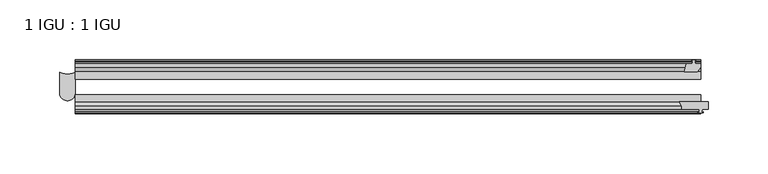
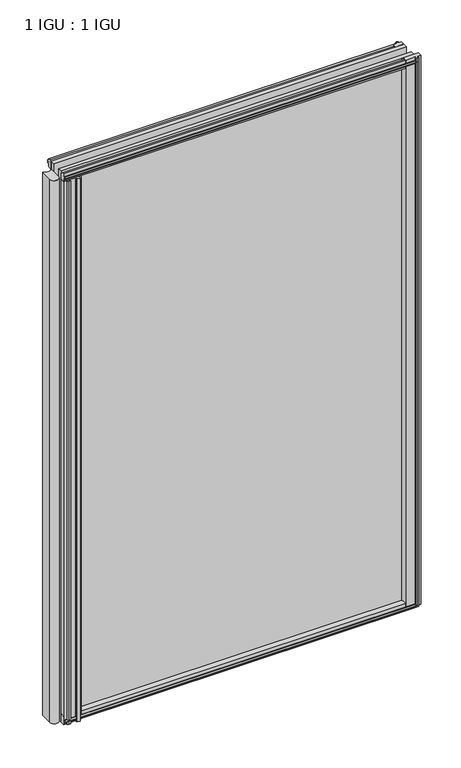
"""IFC4 building model written with IfcOpenShell, lengths in millimetres: plate geometry, 1 IGU : 1 IGU."""

from ifc_helpers import new_model, si_unit, point, frame, frame_2d, origin, place, context, project, spatial, polyline, circle_curve, trimmed, segment, composite_curve, outline, extrude, source, transform, mapped, element, save


def plate_1_igu_1_igu_54b6ed20(model_context):
    return source(origin(), model_context, "Body", "SweptSolid", [
        extrude(outline(polyline([(296.9757334, -10.4746158), (299.1532625, -9.7670938), (301.3307916, -10.4746158), (301.3307916, -11.27583), (299.9152625, -10.8158968), (300.2962625, -13.1960938), (304.7412625, -13.1960938), (304.7412625, -16.1424938), (301.9069203, -19.5460938), (291.0855444, -19.5460938), (292.8032625, -13.1960938), (298.0102625, -13.1960938), (298.3912625, -10.8158968), (296.9757334, -11.27583), (296.9757334, -10.4746158)])), frame((0.0, 0.0, -12.4587), z_axis=(0.0, 0.0, 1.0), x_axis=(1.0, 0.0, 0.0)), (0.0, 0.0, 1.0), 863.1174),
        extrude(outline(composite_curve([segment(polyline([(287.0458808, -44.9460938), (311.134125, -44.9460938), (311.134125, -51.2960938), (306.054125, -51.2960938), (305.736625, -53.4006957), (306.9552309, -53.0741712), (307.159025, -53.8347412), (304.784125, -54.4710938), (302.409225, -53.8347412), (302.6130191, -53.0741712), (303.831625, -53.4006957), (303.514125, -51.2960938), (288.909125, -51.2960938)]), True, "CONTINUOUS"), segment(trimmed(circle_curve(frame_2d((280.1334971, -50.4227155)), 8.8189814), [point((288.909125, -51.2960938))], [point((287.0458808, -44.9460938))], True, "CARTESIAN"), True, "CONTINUOUS")], self_intersect=False)), frame((0.0, 0.0, -9.0482291), z_axis=(0.0, 0.0, 1.0), x_axis=(1.0, 0.0, 0.0)), (0.0, 0.0, 1.0), 859.7069291),
        extrude(outline(composite_curve([segment(trimmed(circle_curve(frame_2d((-224.4718282, -9.6643371)), 12.1582346), [point((-230.8319058, -20.0263871))], [point((-218.1117506, -20.0263871))], True, "CARTESIAN"), True, "CONTINUOUS"), segment(polyline([(-218.1117506, -20.0263871), (-218.1117506, -37.7227655)]), True, "CONTINUOUS"), segment(trimmed(circle_curve(frame_2d((-224.4718282, -37.7227655)), 6.3600776), [point((-218.1117506, -37.7227655))], [point((-230.8319058, -37.7227655))], False, "CARTESIAN"), True, "CONTINUOUS"), segment(polyline([(-230.8319058, -37.7227655), (-230.8319058, -20.0263871)]), True, "CONTINUOUS")], self_intersect=False)), frame((0.0, 0.0, -12.4587), z_axis=(0.0, 0.0, 1.0), x_axis=(1.0, 0.0, 0.0)), (0.0, 0.0, 1.0), 850.4174),
        extrude(outline(composite_curve([segment(polyline([(-218.0617444, -51.2960938), (-218.0617444, -44.9460938), (-190.4467114, -44.9460938)]), True, "CONTINUOUS"), segment(trimmed(circle_curve(frame_2d((-185.2828423, -49.5178448)), 6.8968436), [point((-190.4467114, -44.9460938))], [point((-191.9464962, -51.2960938))], True, "CARTESIAN"), True, "CONTINUOUS"), segment(polyline([(-191.9464962, -51.2960938), (-195.8621444, -51.2960938)]), True, "CONTINUOUS"), segment(trimmed(circle_curve(frame_2d((-195.8621444, -51.7532937)), 0.4572), [point((-195.8621444, -51.2960938))], [point((-196.2009623, -52.0602698))], True, "CARTESIAN"), True, "CONTINUOUS"), segment(trimmed(circle_curve(frame_2d((-197.9703444, -53.663367)), 2.3876), [point((-196.2009623, -52.0602698))], [point((-195.8997014, -54.8520938))], False, "CARTESIAN"), True, "CONTINUOUS"), segment(polyline([(-195.8997014, -54.8520938), (-200.0409874, -54.8520938)]), True, "CONTINUOUS"), segment(trimmed(circle_curve(frame_2d((-197.9703444, -53.663367)), 2.3876), [point((-200.0409874, -54.8520938))], [point((-199.7397265, -52.0602698))], False, "CARTESIAN"), True, "CONTINUOUS"), segment(trimmed(circle_curve(frame_2d((-200.0785444, -51.7532937)), 0.4572), [point((-199.7397265, -52.0602698))], [point((-200.0785444, -51.2960938))], True, "CARTESIAN"), True, "CONTINUOUS"), segment(polyline([(-200.0785444, -51.2960938), (-210.4417444, -51.2960938), (-210.7592444, -53.4006957), (-209.5406385, -53.0741712), (-209.3368444, -53.8347412), (-211.7117444, -54.4710938), (-214.0866444, -53.8347412), (-213.8828503, -53.0741712), (-212.6642444, -53.4006957), (-212.9817444, -51.2960938), (-218.0617444, -51.2960938)]), True, "CONTINUOUS")], self_intersect=False)), frame((0.0, 0.0, -12.4587), z_axis=(0.0, 0.0, 1.0), x_axis=(1.0, 0.0, 0.0)), (0.0, 0.0, 1.0), 850.4174),
        extrude(outline(polyline([(-10.4746158, -4.6931709), (-9.7670937, -6.8707), (-10.4746158, -9.0482291), (-11.27583, -9.0482291), (-10.8158968, -7.6327), (-13.1960937, -8.0137), (-13.1960937, -12.4587), (-16.1424937, -12.4587), (-19.5460937, -9.6243578), (-19.5460937, 1.1970181), (-13.1960937, -0.5207), (-13.1960937, -5.7277), (-10.8158968, -6.1087), (-11.27583, -4.6931709), (-10.4746158, -4.6931709)])), frame((-218.0669375, 0.0, 0.0), z_axis=(1.0, 0.0, 0.0), x_axis=(0.0, 1.0, 0.0)), (0.0, 0.0, 1.0), 522.8510625),
        extrude(outline(polyline([(-44.9460937, 1.7177181), (-44.9460937, -9.1036578), (-48.3496937, -11.938), (-51.2960937, -11.938), (-51.2960937, -7.493), (-53.6762907, -7.112), (-53.2163575, -8.5275291), (-54.0175717, -8.5275291), (-54.7250937, -6.35), (-54.0175717, -4.1724709), (-53.2163575, -4.1724709), (-53.6762907, -5.588), (-51.2960937, -5.207), (-51.2960937, 0.0), (-44.9460937, 1.7177181)])), frame((-218.0669375, 0.0, 0.0), z_axis=(1.0, 0.0, 0.0), x_axis=(0.0, 1.0, 0.0)), (0.0, 0.0, 1.0), 522.8510625),
        extrude(outline(polyline([(-10.8158968, 845.8327), (-11.27583, 847.2482291), (-10.4746158, 847.2482291), (-9.7670937, 845.0707), (-10.4746158, 842.8931709), (-11.27583, 842.8931709), (-10.8158968, 844.3087), (-13.1960937, 843.9277), (-13.1960937, 838.7207), (-19.5460938, 837.0029819), (-19.5460938, 847.8243578), (-16.1424937, 850.6587), (-13.1960937, 850.6587), (-13.1960937, 846.2137), (-10.8158968, 845.8327)])), frame((-218.0669375, 0.0, 0.0), z_axis=(1.0, 0.0, 0.0), x_axis=(0.0, 1.0, 0.0)), (0.0, 0.0, 1.0), 522.8510625),
        extrude(outline(polyline([(-51.2960937, 850.138), (-48.3496937, 850.138), (-44.9460938, 847.3036578), (-44.9460938, 836.4822819), (-51.2960937, 838.2), (-51.2960937, 843.407), (-53.6762907, 843.788), (-53.2163575, 842.3724709), (-54.0175717, 842.3724709), (-54.7250937, 844.55), (-54.0175717, 846.7275291), (-53.2163575, 846.7275291), (-53.6762907, 845.312), (-51.2960937, 845.693), (-51.2960937, 850.138)])), frame((-218.0669375, 0.0, 0.0), z_axis=(1.0, 0.0, 0.0), x_axis=(0.0, 1.0, 0.0)), (0.0, 0.0, 1.0), 522.8510625),
        extrude(outline(polyline([(-218.0669375, -38.9186738), (304.784125, -38.9186738), (304.784125, -44.9460937), (-218.0669375, -44.9460937), (-218.0669375, -38.9186738)])), frame((0.0, 0.0, -12.7), z_axis=(0.0, 0.0, 1.0), x_axis=(1.0, 0.0, 0.0)), (0.0, 0.0, 1.0), 863.6),
        extrude(outline(polyline([(-218.0669375, -19.5460937), (304.784125, -19.5460937), (304.784125, -25.8960938), (-218.0669375, -25.8960938), (-218.0669375, -19.5460937)])), frame((0.0, 0.0, -12.7), z_axis=(0.0, 0.0, 1.0), x_axis=(1.0, 0.0, 0.0)), (0.0, 0.0, 1.0), 863.6),
    ])


if __name__ == "__main__":
    model = new_model("IFC4")
    model_context = context("Model", 3, world=origin())
    ifc_project = project(units=[si_unit("LENGTHUNIT", "METRE", prefix="MILLI")], contexts=[model_context])
    site = spatial("IfcSite", under=ifc_project)
    building = spatial("IfcBuilding", under=site)
    placement = place(None, origin())
    plate_1_igu_1_igu_shape = plate_1_igu_1_igu_54b6ed20(model_context)
    element("IfcPlate", 1, ObjectType="1 IGU : 1 IGU", at=placement, inside=building, context=model_context, shape_type="MappedRepresentation", body=[
        mapped(plate_1_igu_1_igu_shape, transform((0.0, 0.0, 0.0), x_axis=(1.0, 0.0, 0.0), y_axis=(0.0, 1.0, 0.0), z_axis=(0.0, 0.0, 1.0))),
    ])
    save(model, "model.ifc")
